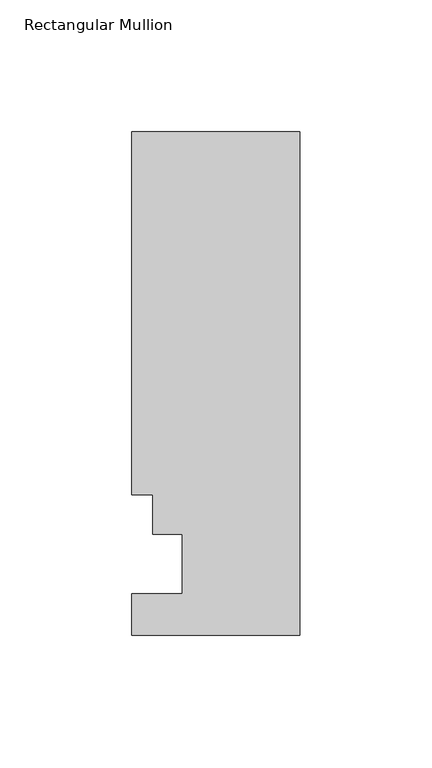
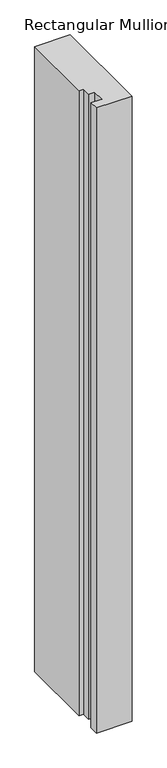
"""IFC4 building model written with IfcOpenShell, lengths in millimetres: member geometry, Rectangular Mullion."""

from ifc_helpers import new_model, si_unit, frame, origin, place, context, project, spatial, polyline, outline, extrude, source, transform, mapped, element, save


def rectangular_mullion_f5a1e8c1(model_context):
    return source(origin(), model_context, "Body", "SweptSolid", [
        extrude(outline(polyline([(0.0, 190.4007813), (0.0, -0.3278187), (-63.5, -0.3278187), (-63.5, 15.5217813), (-44.45, 15.5217813), (-44.45, 38.0007812), (-55.5752, 38.0007813), (-55.5752, 53.0629813), (-63.5, 53.0629813), (-63.5, 190.4007813), (0.0, 190.4007813)])), frame((0.0, 0.0, -1180.0569562), z_axis=(0.0, 0.0, 1.0), x_axis=(1.0, 0.0, 0.0)), (0.0, 0.0, 1.0), 1180.0569562),
    ])


if __name__ == "__main__":
    model = new_model("IFC4")
    model_context = context("Model", 3, world=origin())
    ifc_project = project(units=[si_unit("LENGTHUNIT", "METRE", prefix="MILLI")], contexts=[model_context])
    site = spatial("IfcSite", under=ifc_project)
    building = spatial("IfcBuilding", under=site)
    placement = place(None, origin())
    rectangular_mullion_shape = rectangular_mullion_f5a1e8c1(model_context)
    element("IfcMember", 1, ObjectType="Rectangular Mullion", at=placement, inside=building, context=model_context, shape_type="MappedRepresentation", body=[
        mapped(rectangular_mullion_shape, transform((0.0, 0.0, 0.0), x_axis=(1.0, 0.0, 0.0), y_axis=(0.0, 1.0, 0.0), z_axis=(0.0, 0.0, 1.0))),
    ])
    save(model, "model.ifc")
